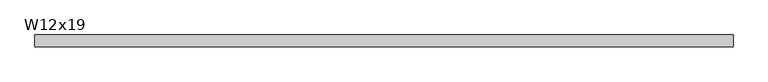
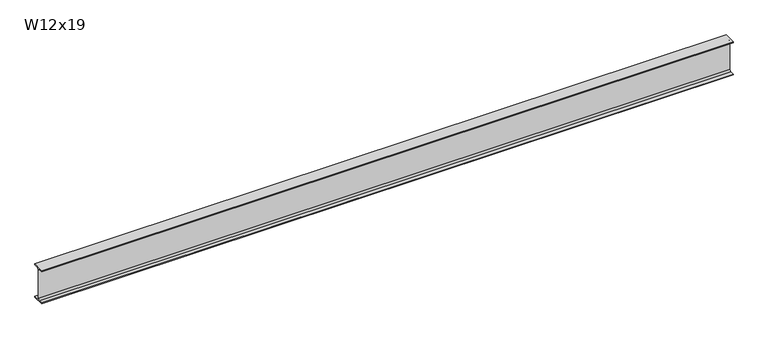
"""IFC4 building model written with IfcOpenShell, lengths in millimetres: beam geometry, W12x19."""

from ifc_helpers import new_model, si_unit, point, frame, frame_2d, origin, place, context, project, spatial, polyline, circle_curve, trimmed, segment, composite_curve, outline, extrude, source, transform, mapped, element, save


def w12x19_5b18386b(model_context):
    return source(origin(), model_context, "Body", "SweptSolid", [
        extrude(outline(composite_curve([segment(polyline([(50.927, -146.05), (50.927, -154.94), (-50.927, -154.94), (-50.927, -146.05), (-16.3195, -146.05)]), True, "CONTINUOUS"), segment(trimmed(circle_curve(frame_2d((-16.3195, -132.715)), 13.335), [point((-16.3195, -146.05))], [point((-2.9845, -132.715))], True, "CARTESIAN"), True, "CONTINUOUS"), segment(polyline([(-2.9845, -132.715), (-2.9845, 132.715)]), True, "CONTINUOUS"), segment(trimmed(circle_curve(frame_2d((-16.3195, 132.715)), 13.335), [point((-2.9845, 132.715))], [point((-16.3195, 146.05))], True, "CARTESIAN"), True, "CONTINUOUS"), segment(polyline([(-16.3195, 146.05), (-50.927, 146.05), (-50.927, 154.94), (50.927, 154.94), (50.927, 146.05), (16.3195, 146.05)]), True, "CONTINUOUS"), segment(trimmed(circle_curve(frame_2d((16.3195, 132.715)), 13.335), [point((16.3195, 146.05))], [point((2.9845, 132.715))], True, "CARTESIAN"), True, "CONTINUOUS"), segment(polyline([(2.9845, 132.715), (2.9845, -132.715)]), True, "CONTINUOUS"), segment(trimmed(circle_curve(frame_2d((16.3195, -132.715)), 13.335), [point((2.9845, -132.715))], [point((16.3195, -146.05))], True, "CARTESIAN"), True, "CONTINUOUS"), segment(polyline([(16.3195, -146.05), (50.927, -146.05)]), True, "CONTINUOUS")], self_intersect=False)), frame((-3034.03, 0.0, 0.0), z_axis=(1.0, 0.0, 0.0), x_axis=(0.0, 1.0, 0.0)), (0.0, 0.0, 1.0), 6068.06),
    ])


if __name__ == "__main__":
    model = new_model("IFC4")
    model_context = context("Model", 3, world=origin())
    ifc_project = project(units=[si_unit("LENGTHUNIT", "METRE", prefix="MILLI")], contexts=[model_context])
    site = spatial("IfcSite", under=ifc_project)
    building = spatial("IfcBuilding", under=site)
    placement = place(None, origin())
    w12x19_shape = w12x19_5b18386b(model_context)
    element("IfcBeam", 1, ObjectType="W12x19", at=placement, inside=building, context=model_context, shape_type="MappedRepresentation", body=[
        mapped(w12x19_shape, transform((0.0, 0.0, 0.0), x_axis=(1.0, 0.0, 0.0), y_axis=(0.0, 1.0, 0.0), z_axis=(0.0, 0.0, 1.0))),
    ])
    save(model, "model.ifc")
